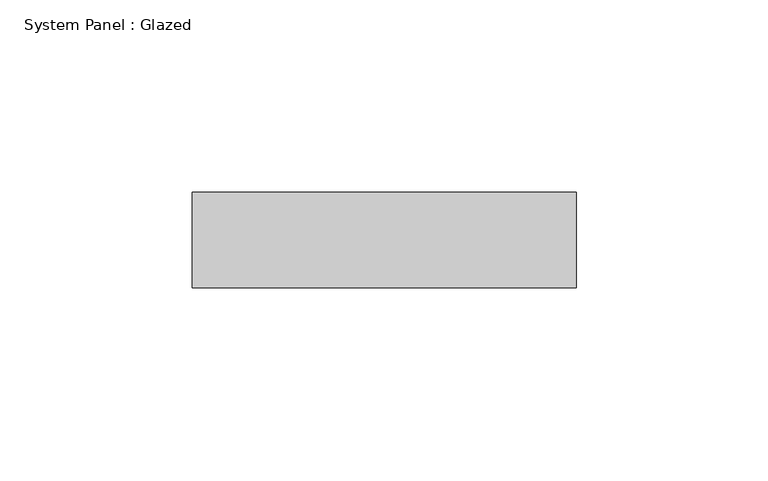
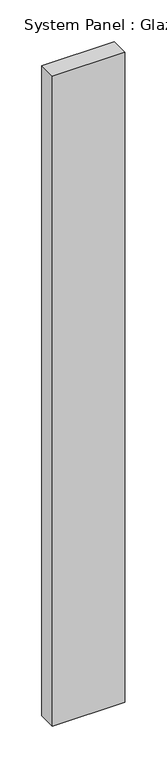
"""IFC4 building model written with IfcOpenShell, lengths in millimetres: plate geometry, System Panel : Glazed."""

from ifc_helpers import new_model, si_unit, origin, origin_with_axes, place, context, project, spatial, polyline, outline, extrude, source, transform, mapped, element, save


def system_panel_glazed_d061c242(model_context):
    return source(origin(), model_context, "Body", "SweptSolid", [
        extrude(outline(polyline([(50.0, -49.5), (-50.0, -49.5), (-50.0, -24.5), (50.0, -24.5), (50.0, -49.5)])), origin_with_axes(), (0.0, 0.0, 1.0), 948.3333333),
    ])


if __name__ == "__main__":
    model = new_model("IFC4")
    model_context = context("Model", 3, world=origin())
    ifc_project = project(units=[si_unit("LENGTHUNIT", "METRE", prefix="MILLI")], contexts=[model_context])
    site = spatial("IfcSite", under=ifc_project)
    building = spatial("IfcBuilding", under=site)
    placement = place(None, origin())
    system_panel_glazed_shape = system_panel_glazed_d061c242(model_context)
    element("IfcPlate", 1, ObjectType="System Panel : Glazed", at=placement, inside=building, context=model_context, shape_type="MappedRepresentation", body=[
        mapped(system_panel_glazed_shape, transform((0.0, 0.0, 0.0), x_axis=(1.0, 0.0, 0.0), y_axis=(0.0, 1.0, 0.0), z_axis=(0.0, 0.0, 1.0))),
    ])
    save(model, "model.ifc")
